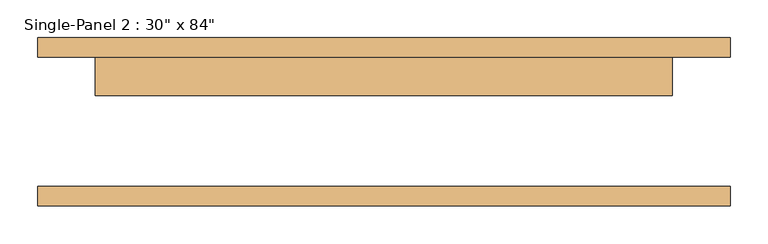
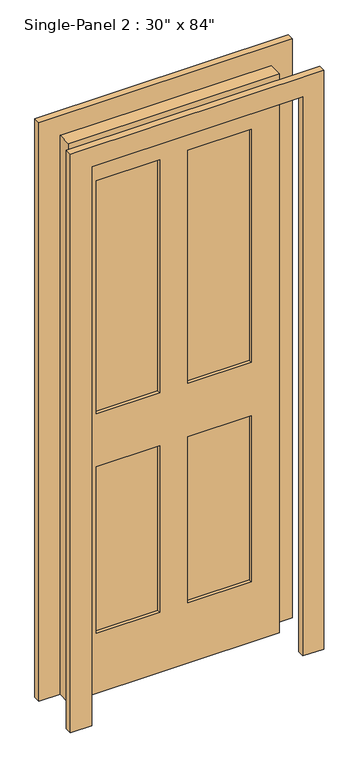
"""IFC4 building model written with IfcOpenShell, lengths in millimetres: door geometry."""

import ifcopenshell
import ifcopenshell.guid

model = None  # the IFC model being written
_history = None  # IfcOwnerHistory: only IFC2X3 demands one
_inside = {}  # id of a spatial element -> (the spatial element, [elements in it])
_under = {}  # id of a project, library or spatial element -> (it, [spatial elements below it])
_declared = {}  # id of a project -> (the project, [libraries it declares])
_typed = {}  # id of a type object -> (the type object, [elements of that type])
_made_of = {}  # id of a material, layer set ... -> (it, [elements and type objects made of it])


def new_model(schema):
    """Start an empty IFC model of exactly this schema.

    Asked for "IFC4X3", IfcOpenShell would pick the latest addendum, in which some entities
    have other attributes; the version numbers below select the first issue.
    IFC2X3 requires an IfcOwnerHistory on every rooted entity: one is made here for all.
    """
    global model, _history
    if schema == "IFC4X3":
        model = ifcopenshell.file(schema_version=(4, 3, 0, 0))
    else:
        model = ifcopenshell.file(schema=schema)
    _inside.clear()
    _under.clear()
    _declared.clear()
    _typed.clear()
    _made_of.clear()
    _history = None
    if model.schema == "IFC2X3":
        org = make("IfcOrganization", Name="unknown")
        user = make(
            "IfcPersonAndOrganization",
            ThePerson=make("IfcPerson", FamilyName="unknown"),
            TheOrganization=org,
        )
        app = make(
            "IfcApplication",
            ApplicationDeveloper=org,
            Version="unknown",
            ApplicationFullName="unknown",
            ApplicationIdentifier="unknown",
        )
        _history = make(
            "IfcOwnerHistory",
            OwningUser=user,
            OwningApplication=app,
            ChangeAction="ADDED",
            CreationDate=0,
        )
    return model


def make(cls, **values):
    """One entity of the class cls with the attributes given. An attribute that is None is left unset."""
    return model.create_entity(
        cls, **{name: value for name, value in values.items() if value is not None}
    )


def rooted(cls, **values):
    """An entity with a GlobalId (a new one), such as an element, a storey or a relation."""
    return make(cls, GlobalId=ifcopenshell.guid.new(), OwnerHistory=_history, **values)


def si_unit(unit_type, name, prefix=None):
    """IfcSIUnit, for example si_unit("LENGTHUNIT", "METRE", prefix="MILLI")."""
    return make("IfcSIUnit", UnitType=unit_type, Prefix=prefix, Name=name)


def assignment(units):
    """IfcUnitAssignment: the units of a project."""
    return None if units is None else make("IfcUnitAssignment", Units=units)


def point(xyz):
    """IfcCartesianPoint."""
    return None if xyz is None else make("IfcCartesianPoint", Coordinates=xyz)


def direction(xyz):
    """IfcDirection."""
    return None if xyz is None else make("IfcDirection", DirectionRatios=xyz)


def frame(location, z_axis=None, x_axis=None):
    """IfcAxis2Placement3D, a coordinate frame: its origin and axes. An axis left out is left unset."""
    return make(
        "IfcAxis2Placement3D",
        Location=point(location),
        Axis=direction(z_axis),
        RefDirection=direction(x_axis),
    )


def origin():
    """The frame at (0, 0, 0) with its axes left unset."""
    return frame((0.0, 0.0, 0.0))


def place(relative_to, where):
    """IfcLocalPlacement: puts the frame where relative to a parent placement (None: the world)."""
    return make(
        "IfcLocalPlacement", PlacementRelTo=relative_to, RelativePlacement=where
    )


def context(
    kind, dimensions, precision=None, world=None, true_north=None, identifier=None
):
    """IfcGeometricRepresentationContext, for example the 3D "Model" context."""
    return make(
        "IfcGeometricRepresentationContext",
        ContextIdentifier=identifier,
        ContextType=kind,
        CoordinateSpaceDimension=dimensions,
        Precision=precision,
        WorldCoordinateSystem=world,
        TrueNorth=true_north,
    )


def project(units=None, contexts=None):
    """IfcProject with its units and contexts."""
    return rooted(
        "IfcProject",
        Name="project",
        RepresentationContexts=contexts,
        UnitsInContext=assignment(units),
    )


def spatial(cls, under=None, at=None, **own):
    """A site, building, storey or space (cls), placed at a placement, below another one or the project."""
    s = rooted(cls, ObjectPlacement=at, **own)
    if under is not None:
        _under.setdefault(under.id(), (under, []))[1].append(s)
    return s


def polyline(points):
    """IfcPolyline through the points."""
    return make("IfcPolyline", Points=[point(p) for p in points])


def outline(outer, holes=None, kind="AREA"):
    """IfcArbitraryClosedProfileDef: a profile drawn as a closed curve; with holes, ...WithVoids."""
    if holes is None:
        return make("IfcArbitraryClosedProfileDef", ProfileType=kind, OuterCurve=outer)
    return make(
        "IfcArbitraryProfileDefWithVoids",
        ProfileType=kind,
        OuterCurve=outer,
        InnerCurves=holes,
    )


def extrude(swept, where, along, depth):
    """IfcExtrudedAreaSolid: the profile swept, set in the frame where, extruded along a direction by depth."""
    return make(
        "IfcExtrudedAreaSolid",
        SweptArea=swept,
        Position=where,
        ExtrudedDirection=direction(along),
        Depth=depth,
    )


def shape(context_of_items, identifier, shape_type, items):
    """IfcShapeRepresentation: the items that make up one representation, for example the "Body"."""
    return make(
        "IfcShapeRepresentation",
        ContextOfItems=context_of_items,
        RepresentationIdentifier=identifier,
        RepresentationType=shape_type,
        Items=items,
    )


def source(mapping_origin, context_of_items, identifier, shape_type, items):
    """IfcRepresentationMap: a shape defined once, which mapped items show again and again."""
    return make(
        "IfcRepresentationMap",
        MappingOrigin=mapping_origin,
        MappedRepresentation=shape(context_of_items, identifier, shape_type, items),
    )


def transform(
    local_origin,
    x_axis=None,
    y_axis=None,
    z_axis=None,
    scale=None,
    scale2=None,
    scale3=None,
    uniform=True,
):
    """IfcCartesianTransformationOperator3D, or its non-uniform kind. x_axis, y_axis, z_axis: its Axis1, 2, 3."""
    if uniform:
        return make(
            "IfcCartesianTransformationOperator3D",
            Axis1=direction(x_axis),
            Axis2=direction(y_axis),
            LocalOrigin=point(local_origin),
            Scale=scale,
            Axis3=direction(z_axis),
        )
    return make(
        "IfcCartesianTransformationOperator3DnonUniform",
        Axis1=direction(x_axis),
        Axis2=direction(y_axis),
        LocalOrigin=point(local_origin),
        Scale=scale,
        Axis3=direction(z_axis),
        Scale2=scale2,
        Scale3=scale3,
    )


def mapped(mapping_source, mapping_target):
    """IfcMappedItem: shows the shape of a source again, moved by a transform."""
    return make(
        "IfcMappedItem", MappingSource=mapping_source, MappingTarget=mapping_target
    )


def made_of(thing, what):
    """Note that an element or type object is made of a material, layer set ...; save() writes the relation."""
    if what is not None:
        _made_of.setdefault(what.id(), (what, []))[1].append(thing)
    return thing


def element(
    cls,
    number,
    at=None,
    inside=None,
    cuts=None,
    type_object=None,
    material=None,
    context=None,
    identifier="Body",
    shape_type=None,
    held_by="IfcProductDefinitionShape",
    body=None,
    shapes=None,
    **own,
):
    """One element of the class cls, such as IfcWall. Its Tag is "e" and its number.

    at: its placement. inside: the storey or other place that contains it. cuts: it is an
    opening in that element (IfcRelVoidsElement). A single representation is given by context,
    identifier, shape_type and body (its items); several are given by shapes. held_by: the class
    of the entity that holds the representations. save() writes the other relations.
    """
    e = rooted(cls, Tag="e%d" % number, ObjectPlacement=at, **own)
    if body is not None:
        shapes = [shape(context, identifier, shape_type, body)]
    if shapes is not None:
        e.Representation = make(held_by, Representations=shapes)
    if inside is not None:
        _inside.setdefault(inside.id(), (inside, []))[1].append(e)
    if cuts is not None:
        rooted(
            "IfcRelVoidsElement", RelatingBuildingElement=cuts, RelatedOpeningElement=e
        )
    if type_object is not None:
        _typed.setdefault(type_object.id(), (type_object, []))[1].append(e)
    return made_of(e, material)


def aggregate(whole, parts):
    """IfcRelAggregates: a whole, such as a stair, and the parts it consists of."""
    return rooted("IfcRelAggregates", RelatingObject=whole, RelatedObjects=parts)


def save(model, path):
    """Write the relations noted so far, then the file.

    IfcRelAggregates (storeys below a building ...), IfcRelContainedInSpatialStructure (elements
    in a storey), IfcRelDefinesByType, IfcRelAssociatesMaterial and IfcRelDeclares: one each for
    every whole, place, type object, material and project.
    """
    for whole, parts in _under.values():
        aggregate(whole, parts)
    for where, things in _inside.values():
        rooted(
            "IfcRelContainedInSpatialStructure",
            RelatedElements=things,
            RelatingStructure=where,
        )
    for kind, things in _typed.values():
        rooted("IfcRelDefinesByType", RelatedObjects=things, RelatingType=kind)
    for what, things in _made_of.values():
        rooted("IfcRelAssociatesMaterial", RelatedObjects=things, RelatingMaterial=what)
    for by, libraries in _declared.values():
        rooted("IfcRelDeclares", RelatingContext=by, RelatedDefinitions=libraries)
    model.write(path)


def door_6ab85e3f(model_context):
    return source(origin(), model_context, "Body", "SweptSolid", [
        extrude(outline(polyline([(-50.9240165, 47.625), (-278.8511799, 47.625), (-278.8511799, 73.025), (-50.9240165, 73.025), (-50.9240165, 47.625)])), frame((0.0, 0.0, 1068.1906173), z_axis=(0.0, 0.0, 1.0), x_axis=(1.0, 0.0, 0.0)), (0.0, 0.0, 1.0), 889.2046757),
        extrude(outline(polyline([(279.9488201, 47.625), (50.6759835, 47.625), (50.6759835, 73.025), (279.9488201, 73.025), (279.9488201, 47.625)])), frame((0.0, 0.0, 1068.1906173), z_axis=(0.0, 0.0, 1.0), x_axis=(1.0, 0.0, 0.0)), (0.0, 0.0, 1.0), 889.2046757),
        extrude(outline(polyline([(-50.9240165, 47.625), (-278.8511799, 47.625), (-278.8511799, 73.025), (-50.9240165, 73.025), (-50.9240165, 47.625)])), frame((0.0, 0.0, 230.195293), z_axis=(0.0, 0.0, 1.0), x_axis=(1.0, 0.0, 0.0)), (0.0, 0.0, 1.0), 635.0),
        extrude(outline(polyline([(279.9488201, 47.625), (50.6759835, 47.625), (50.6759835, 73.025), (279.9488201, 73.025), (279.9488201, 47.625)])), frame((0.0, 0.0, 230.195293), z_axis=(0.0, 0.0, 1.0), x_axis=(1.0, 0.0, 0.0)), (0.0, 0.0, 1.0), 634.7953243),
        extrude(outline(polyline([(2209.8, -457.2), (1.3906173, -457.2), (1.3906173, -381.1240165), (2134.9906173, -381.1240165), (2134.9906173, 380.8759835), (1.3906173, 380.8759835), (0.0, 457.2), (2209.8, 457.2), (2209.8, -457.2)])), frame((0.0, 85.725, 0.0), z_axis=(0.0, 1.0, 0.0), x_axis=(0.0, 0.0, 1.0)), (0.0, 0.0, 1.0), 25.4),
        extrude(outline(polyline([(2209.8, 457.2), (2209.8, -457.2), (1.3906173, -457.2), (1.3906173, -381.1240165), (2134.9906173, -381.1240165), (2134.9906173, 380.8759835), (1.3906173, 380.8759835), (0.0, 457.2), (2209.8, 457.2)])), frame((0.0, -111.125, 0.0), z_axis=(0.0, 1.0, 0.0), x_axis=(0.0, 0.0, 1.0)), (0.0, 0.0, 1.0), 25.4),
        extrude(outline(polyline([(2134.9906173, 380.8759835), (2134.9906173, -381.1240165), (1.3906173, -381.1240165), (1.3906173, 380.8759835), (2134.9906173, 380.8759835)]), holes=[polyline([(1957.395293, -50.9240165), (1068.1906173, -50.9240165), (1068.1906173, -278.8511799), (1957.395293, -278.8511799), (1957.395293, -50.9240165)]), polyline([(1957.395293, 279.9488201), (1068.1906173, 279.9488201), (1068.1906173, 50.6759835), (1957.395293, 50.6759835), (1957.395293, 279.9488201)]), polyline([(865.195293, -50.9240165), (230.195293, -50.9240165), (230.195293, -278.8511799), (865.195293, -278.8511799), (865.195293, -50.9240165)]), polyline([(864.9906173, 279.9488201), (230.195293, 279.9488201), (230.195293, 50.6759835), (864.9906173, 50.6759835), (864.9906173, 279.9488201)])]), frame((0.0, 34.925, 0.0), z_axis=(0.0, 1.0, 0.0), x_axis=(0.0, 0.0, 1.0)), (0.0, 0.0, 1.0), 50.8),
    ])


if __name__ == "__main__":
    model = new_model("IFC4")
    model_context = context("Model", 3, world=origin())
    ifc_project = project(units=[si_unit("LENGTHUNIT", "METRE", prefix="MILLI")], contexts=[model_context])
    site = spatial("IfcSite", under=ifc_project)
    building = spatial("IfcBuilding", under=site)
    placement = place(None, origin())
    door_shape = door_6ab85e3f(model_context)
    element("IfcDoor", 1, ObjectType="Single-Panel 2 : 30\" x 84\"", at=placement, inside=building, context=model_context, shape_type="MappedRepresentation", body=[
        mapped(door_shape, transform((0.0, 0.0, 0.0), x_axis=(1.0, 0.0, 0.0), y_axis=(0.0, 1.0, 0.0), z_axis=(0.0, 0.0, 1.0))),
    ])
    save(model, "model.ifc")
